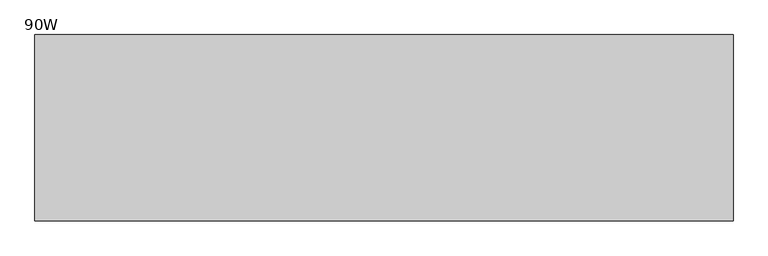
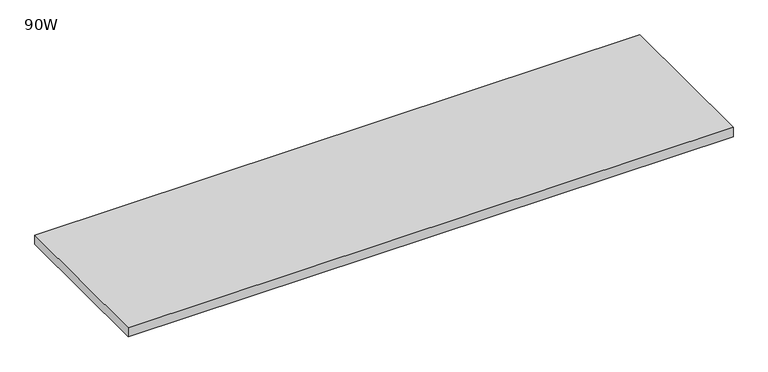
"""IFC4 building model written with IfcOpenShell, lengths in millimetres: furniture geometry, 90W."""

from ifc_helpers import new_model, si_unit, frame, origin, place, context, project, spatial, polyline, outline, extrude, source, transform, mapped, element, save


def furniture_90w_de42cdea(model_context):
    return source(origin(), model_context, "Body", "SweptSolid", [
        extrude(outline(polyline([(2286.0, 0.0), (2286.0, -609.6), (0.0, -609.6), (0.0, 0.0), (2286.0, 0.0)])), frame((0.0, 0.0, 697.6236804), z_axis=(0.0, 0.0, 1.0), x_axis=(1.0, 0.0, 0.0)), (0.0, 0.0, 1.0), 36.322),
    ])


if __name__ == "__main__":
    model = new_model("IFC4")
    model_context = context("Model", 3, world=origin())
    ifc_project = project(units=[si_unit("LENGTHUNIT", "METRE", prefix="MILLI")], contexts=[model_context])
    site = spatial("IfcSite", under=ifc_project)
    building = spatial("IfcBuilding", under=site)
    placement = place(None, origin())
    furniture_90w_shape = furniture_90w_de42cdea(model_context)
    element("IfcFurniture", 1, ObjectType="90W", at=placement, inside=building, context=model_context, shape_type="MappedRepresentation", body=[
        mapped(furniture_90w_shape, transform((0.0, 0.0, 0.0), x_axis=(1.0, 0.0, 0.0), y_axis=(0.0, 1.0, 0.0), z_axis=(0.0, 0.0, 1.0))),
    ])
    save(model, "model.ifc")
